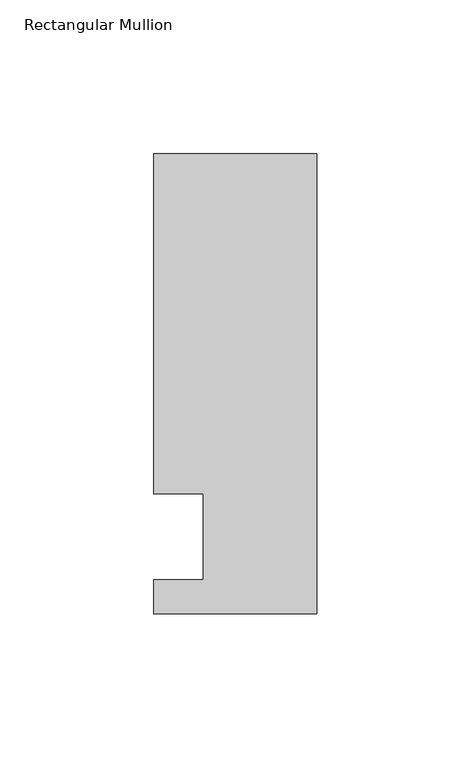
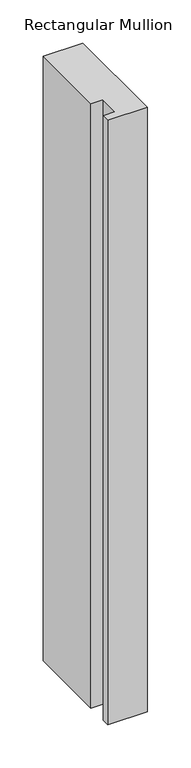
"""IFC4 building model written with IfcOpenShell, lengths in millimetres: member geometry, Rectangular Mullion."""

from ifc_helpers import new_model, si_unit, frame, origin, place, context, project, spatial, polyline, outline, extrude, source, transform, mapped, element, save


def rectangular_mullion_58d197d6(model_context):
    return source(origin(), model_context, "Body", "SweptSolid", [
        extrude(outline(polyline([(0.0, -25.0), (-53.0, -25.0), (-53.0, -14.0), (-37.0, -14.0), (-37.0, 14.0), (-53.0, 14.0), (-53.0, 124.5), (0.0, 124.5), (0.0, -25.0)])), frame((0.0, 0.0, -853.9388447), z_axis=(0.0, 0.0, 1.0), x_axis=(1.0, 0.0, 0.0)), (0.0, 0.0, 1.0), 853.9388447),
    ])


if __name__ == "__main__":
    model = new_model("IFC4")
    model_context = context("Model", 3, world=origin())
    ifc_project = project(units=[si_unit("LENGTHUNIT", "METRE", prefix="MILLI")], contexts=[model_context])
    site = spatial("IfcSite", under=ifc_project)
    building = spatial("IfcBuilding", under=site)
    placement = place(None, origin())
    rectangular_mullion_shape = rectangular_mullion_58d197d6(model_context)
    element("IfcMember", 1, ObjectType="Rectangular Mullion", at=placement, inside=building, context=model_context, shape_type="MappedRepresentation", body=[
        mapped(rectangular_mullion_shape, transform((0.0, 0.0, 0.0), x_axis=(1.0, 0.0, 0.0), y_axis=(0.0, 1.0, 0.0), z_axis=(0.0, 0.0, 1.0))),
    ])
    save(model, "model.ifc")
